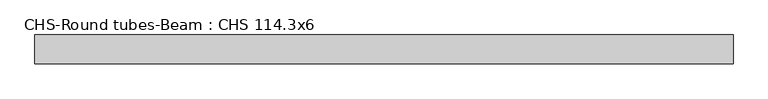
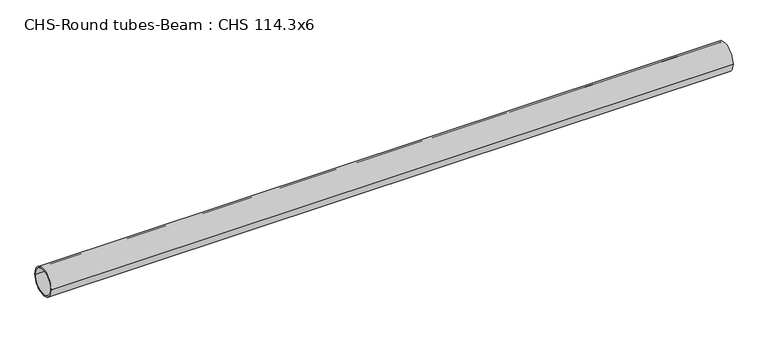
"""IFC4 building model written with IfcOpenShell, lengths in millimetres: beam geometry, CHS-Round tubes-Beam : CHS 114.3x6."""

from ifc_helpers import new_model, si_unit, point, frame, origin, origin_2d, place, context, project, spatial, circle_curve, trimmed, segment, composite_curve, outline, extrude, source, transform, mapped, element, save


def chs_round_tubes_beam_chs_114_3x6_de28420b(model_context):
    return source(origin(), model_context, "Body", "SweptSolid", [
        extrude(outline(composite_curve([segment(trimmed(circle_curve(origin_2d(), 57.15), [point((57.15, 0.0))], [point((-57.15, 0.0))], False, "CARTESIAN"), True, "CONTINUOUS"), segment(trimmed(circle_curve(origin_2d(), 57.15), [point((-57.15, 0.0))], [point((57.15, 0.0))], False, "CARTESIAN"), True, "CONTINUOUS")], self_intersect=False), holes=[composite_curve([segment(trimmed(circle_curve(origin_2d(), 51.15), [point((51.15, 0.0))], [point((-51.15, 0.0))], True, "CARTESIAN"), True, "CONTINUOUS"), segment(trimmed(circle_curve(origin_2d(), 51.15), [point((-51.15, 0.0))], [point((51.15, 0.0))], True, "CARTESIAN"), True, "CONTINUOUS")], self_intersect=False)]), frame((-1331.6647881, 0.0, 0.0), z_axis=(1.0, 0.0, 0.0), x_axis=(0.0, 1.0, 0.0)), (0.0, 0.0, 1.0), 2773.7140482),
    ])


if __name__ == "__main__":
    model = new_model("IFC4")
    model_context = context("Model", 3, world=origin())
    ifc_project = project(units=[si_unit("LENGTHUNIT", "METRE", prefix="MILLI")], contexts=[model_context])
    site = spatial("IfcSite", under=ifc_project)
    building = spatial("IfcBuilding", under=site)
    placement = place(None, origin())
    chs_round_tubes_beam_chs_114_3x6_shape = chs_round_tubes_beam_chs_114_3x6_de28420b(model_context)
    element("IfcBeam", 1, ObjectType="CHS-Round tubes-Beam : CHS 114.3x6", at=placement, inside=building, context=model_context, shape_type="MappedRepresentation", body=[
        mapped(chs_round_tubes_beam_chs_114_3x6_shape, transform((0.0, 0.0, 0.0), x_axis=(1.0, 0.0, 0.0), y_axis=(0.0, 1.0, 0.0), z_axis=(0.0, 0.0, 1.0))),
    ])
    save(model, "model.ifc")
